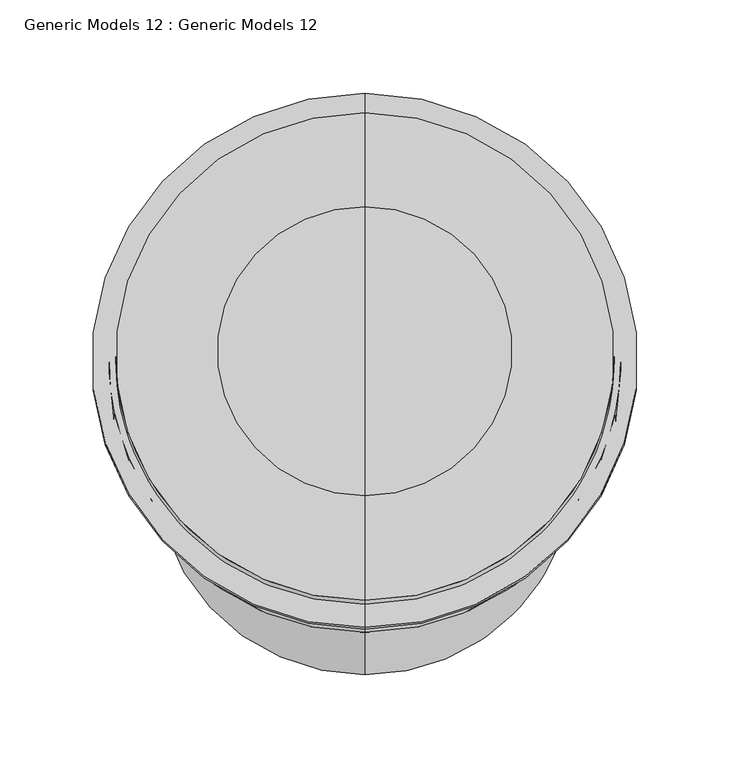
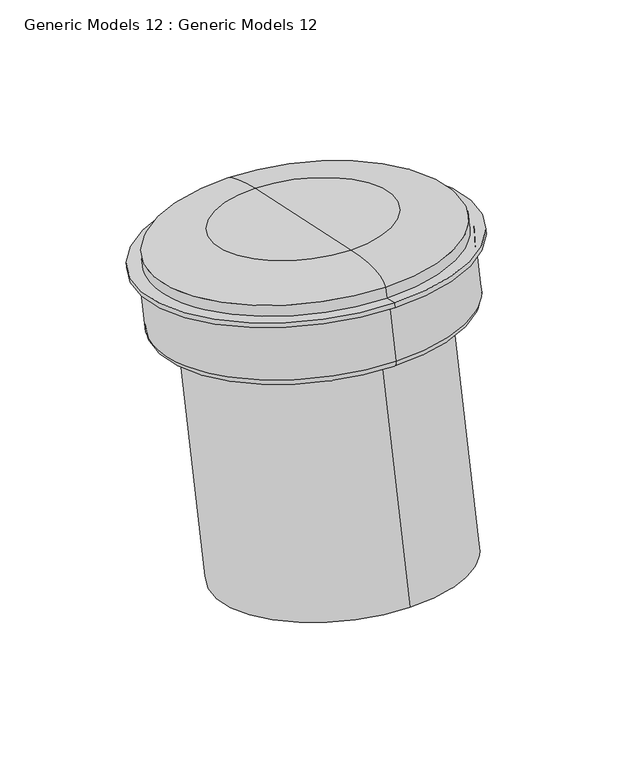
"""IFC4 building model written with IfcOpenShell, lengths in millimetres: proxy geometry, Generic Models 12 : Generic Models 12."""

from ifc_helpers import new_model, si_unit, point, frame, origin, place, context, project, spatial, circle_curve, ellipse_curve, trimmed, source, transform, mapped, element, save
from ifc_brep_helpers import plane_surface, cylinder_surface, revolved_surface, spline_curve, advanced_brep


def generic_models_12_generic_models_12_15f35d7a(model_context):
    return source(origin(), model_context, "Body", "AdvancedBrep", [
        advanced_brep(
        [(-22000.245968, 11898.6675247, -2204.5823415), (-22000.245968, 11637.7955596, -2149.1322936), (-22000.245968, 11693.8045098, -2146.5553716), (-22000.245968, 11848.5489312, -2179.4473137), (-22000.245968, 11896.6545933, -2214.052439), (-22000.245968, 11635.7826282, -2158.602391), (-22000.245968, 11909.0770679, -2216.6929174), (-22000.245968, 11623.3601537, -2155.9619125), (-22000.245968, 11908.1783832, -2220.9208966), (-22000.245968, 11622.461469, -2160.1898917), (-22000.245968, 11899.2295422, -2219.0187617), (-22000.245968, 11631.4103099, -2162.0920266), (-22000.245968, 11888.6676283, -2268.7086599), (-22000.245968, 11620.848396, -2211.7819247), (-22000.245968, 11881.1361518, -2273.5996579), (-22000.245968, 11625.7393941, -2219.3134012), (-22000.245968, 11867.4584298, -2270.6923683), (-22000.245968, 11639.4171161, -2222.2206908), (-22000.245968, 11861.4490119, -2274.5949299), (-22000.245968, 11643.3196777, -2228.2301087), (-22000.245968, 11816.2940667, -2487.0322444), (-22000.245968, 11598.1647326, -2440.6674232), (-22000.245968, 11707.2293997, -2463.8498338), (-22000.245968, 11771.1767205, -2163.0013426)],
        [
            (0, 1, circle_curve(frame((-22000.245968, 11768.2315421, -2176.8573176), z_axis=(0.0, 0.20791169081776123, 0.9781476007338054), x_axis=(0.0, -0.9781476007338054, 0.20791169081776123)), 133.35)),
            (1, 2, spline_curve(3, [(-22000.245968, 11637.7955596, -2149.1322936), (-22000.245968, 11642.368062177, -2141.212486819), (-22000.245968, 11661.037712225, -2140.353512841), (-22000.245968, 11693.8045098, -2146.5553716)], [4, 4], [0.0, 0.10456092390041316])),
            (2, 3, circle_curve(frame((-22000.245968, 11771.1767205, -2163.0013426), z_axis=(0.0, -0.20791169081776123, -0.9781476007338054), x_axis=(0.0, -0.9781476007338054, 0.20791169081776123)), 79.1007519)),
            (3, 0, spline_curve(3, [(-22000.245968, 11848.5489312, -2179.4473137), (-22000.245968, 11881.005413495, -2187.109091052), (-22000.245968, 11897.711611366, -2195.487433642), (-22000.245968, 11898.6675247, -2204.5823415)], [4, 4], [0.0, 0.10456092390041316])),
            (1, 0, circle_curve(frame((-22000.245968, 11768.2315421, -2176.8573176), z_axis=(0.0, 0.20791169081776123, 0.9781476007338054), x_axis=(0.0, -0.9781476007338054, 0.20791169081776123)), 133.35)),
            (3, 2, circle_curve(frame((-22000.245968, 11771.1767205, -2163.0013426), z_axis=(0.0, -0.20791169081776123, -0.9781476007338054), x_axis=(0.0, -0.9781476007338054, 0.20791169081776123)), 79.1007519)),
            (4, 5, circle_curve(frame((-22000.245968, 11766.2186108, -2186.327415), z_axis=(0.0, 0.20791169081776123, 0.9781476007338054), x_axis=(0.0, -0.9781476007338054, 0.20791169081776123)), 133.35)),
            (5, 1),
            (0, 4),
            (5, 4, circle_curve(frame((-22000.245968, 11766.2186108, -2186.327415), z_axis=(0.0, 0.20791169081776123, 0.9781476007338054), x_axis=(0.0, -0.9781476007338054, 0.20791169081776123)), 133.35)),
            (6, 7, circle_curve(frame((-22000.245968, 11766.2186108, -2186.327415), z_axis=(0.0, 0.20791169081776123, 0.9781476007338054), x_axis=(0.0, -0.9781476007338054, 0.20791169081776123)), 146.05)),
            (7, 5),
            (4, 6),
            (7, 6, circle_curve(frame((-22000.245968, 11766.2186108, -2186.327415), z_axis=(0.0, 0.20791169081776123, 0.9781476007338054), x_axis=(0.0, -0.9781476007338054, 0.20791169081776123)), 146.05)),
            (8, 9, circle_curve(frame((-22000.245968, 11765.3199261, -2190.5553942), z_axis=(0.0, 0.20791169081776123, 0.9781476007338054), x_axis=(0.0, -0.9781476007338054, 0.20791169081776123)), 146.05)),
            (9, 7),
            (6, 8),
            (9, 8, circle_curve(frame((-22000.245968, 11765.3199261, -2190.5553942), z_axis=(0.0, 0.20791169081776123, 0.9781476007338054), x_axis=(0.0, -0.9781476007338054, 0.20791169081776123)), 146.05)),
            (10, 11, circle_curve(frame((-22000.245968, 11765.3199261, -2190.5553942), z_axis=(0.0, 0.20791169081776123, 0.9781476007338054), x_axis=(0.0, -0.9781476007338054, 0.20791169081776123)), 136.9012366)),
            (11, 9),
            (8, 10),
            (11, 10, circle_curve(frame((-22000.245968, 11765.3199261, -2190.5553942), z_axis=(0.0, 0.20791169081776123, 0.9781476007338054), x_axis=(0.0, -0.9781476007338054, 0.20791169081776123)), 136.9012366)),
            (12, 13, circle_curve(frame((-22000.245968, 11754.7580122, -2240.2452923), z_axis=(0.0, 0.20791169081776123, 0.9781476007338054), x_axis=(0.0, -0.9781476007338054, 0.20791169081776123)), 136.9012366)),
            (13, 11),
            (10, 12),
            (13, 12, circle_curve(frame((-22000.245968, 11754.7580122, -2240.2452923), z_axis=(0.0, 0.20791169081776123, 0.9781476007338054), x_axis=(0.0, -0.9781476007338054, 0.20791169081776123)), 136.9012366)),
            (14, 15, circle_curve(frame((-22000.245968, 11753.4377729, -2246.4565295), z_axis=(0.0, 0.20791169081776123, 0.9781476007338054), x_axis=(0.0, -0.9781476007338054, 0.20791169081776123)), 130.5512366)),
            (15, 13, circle_curve(frame((-22000.245968, 11627.0596333, -2213.1021639), z_axis=(-1.0000000000000002, 0.0, 0.0), x_axis=(0.0, -1.0000000000000002, 0.0)), 6.35)),
            (12, 14, circle_curve(frame((-22000.245968, 11882.456391, -2267.3884206), z_axis=(-1.0000000000000002, 0.0, 0.0), x_axis=(0.0, 0.9135454576425996, -0.4067366430758038)), 6.35)),
            (15, 14, circle_curve(frame((-22000.245968, 11753.4377729, -2246.4565295), z_axis=(0.0, 0.20791169081776123, 0.9781476007338054), x_axis=(0.0, -0.9781476007338054, 0.20791169081776123)), 130.5512366)),
            (16, 17, circle_curve(frame((-22000.245968, 11753.4377729, -2246.4565295), z_axis=(0.0, 0.20791169081776123, 0.9781476007338054), x_axis=(0.0, -0.9781476007338054, 0.20791169081776123)), 116.5679461)),
            (17, 15),
            (14, 16),
            (17, 16, circle_curve(frame((-22000.245968, 11753.4377729, -2246.4565295), z_axis=(0.0, 0.20791169081776123, 0.9781476007338054), x_axis=(0.0, -0.9781476007338054, 0.20791169081776123)), 116.5679461)),
            (18, 19, circle_curve(frame((-22000.245968, 11752.3843448, -2251.4125193), z_axis=(0.0, 0.20791169081776123, 0.9781476007338054), x_axis=(0.0, -0.9781476007338054, 0.20791169081776123)), 111.5012366)),
            (19, 17, circle_curve(frame((-22000.245968, 11638.363688, -2227.1766805), z_axis=(1.0000000000000002, 0.0, 0.0), x_axis=(0.0, -1.0000000000000002, 0.0)), 5.0667095)),
            (16, 18, circle_curve(frame((-22000.245968, 11866.4050016, -2275.6483581), z_axis=(1.0000000000000002, 0.0, 0.0), x_axis=(0.0, 0.9135454576425996, -0.4067366430758038)), 5.0667095)),
            (19, 18, circle_curve(frame((-22000.245968, 11752.3843448, -2251.4125193), z_axis=(0.0, 0.20791169081776123, 0.9781476007338054), x_axis=(0.0, -0.9781476007338054, 0.20791169081776123)), 111.5012366)),
            (20, 21, circle_curve(frame((-22000.245968, 11707.2293997, -2463.8498338), z_axis=(0.0, 0.20791169081776123, 0.9781476007338054), x_axis=(0.0, -0.9781476007338054, 0.20791169081776123)), 111.5012366)),
            (21, 19),
            (18, 20),
            (21, 20, circle_curve(frame((-22000.245968, 11707.2293997, -2463.8498338), z_axis=(0.0, 0.20791169081776123, 0.9781476007338054), x_axis=(0.0, -0.9781476007338054, 0.20791169081776123)), 111.5012366)),
            (22, 21),
            (20, 22),
            (2, 23),
            (23, 3),
        ],
        [
            revolved_surface(spline_curve(3, [(-22000.245968, 11693.8045098, -2146.5553716), (-22000.245968, 11661.037712225, -2140.353512841), (-22000.245968, 11642.368062177, -2141.212486819), (-22000.245968, 11637.7955596, -2149.1322936)], [4, 4], [0.0, 0.10456092390041316]), (-22000.245968, 11779.4210032, -2124.2150423), (0.0, -0.20791169081776123, -0.9781476007338054)),
            cylinder_surface(frame((-22000.245968, 11779.4210032, -2124.2150423), z_axis=(0.0, -0.20791169081776123, -0.9781476007338054), x_axis=(0.0, -0.9781476007338054, 0.20791169081776123)), 133.35),
            plane_surface(frame((-22000.245968, 11766.2186108, -2186.327415), z_axis=(0.0, 0.20791169081776123, 0.9781476007338054), x_axis=(0.0, -0.9781476007338054, 0.20791169081776123))),
            cylinder_surface(frame((-22000.245968, 11779.4210032, -2124.2150423), z_axis=(0.0, -0.20791169081776123, -0.9781476007338054), x_axis=(0.0, -0.9781476007338054, 0.20791169081776123)), 146.05),
            plane_surface(frame((-22000.245968, 11765.3199261, -2190.5553942), z_axis=(0.0, -0.20791169081776123, -0.9781476007338054), x_axis=(0.0, -0.9781476007338054, 0.20791169081776123))),
            cylinder_surface(frame((-22000.245968, 11779.4210032, -2124.2150423), z_axis=(0.0, -0.20791169081776123, -0.9781476007338054), x_axis=(0.0, -0.9781476007338054, 0.20791169081776123)), 136.9012366),
            revolved_surface(trimmed(ellipse_curve(frame((-22000.245968, 11627.0596333, -2213.1021639), z_axis=(1.0000000000000002, 0.0, 0.0), x_axis=(0.0, -1.0000000000000002, 0.0)), 6.35, 6.35), [point((-22000.245968, 11620.848396, -2211.7819247))], [point((-22000.245968, 11625.7393941, -2219.3134012))], True, "CARTESIAN"), (-22000.245968, 11779.4210032, -2124.2150423), (0.0, -0.20791169081776123, -0.9781476007338054)),
            plane_surface(frame((-22000.245968, 11753.4377729, -2246.4565295), z_axis=(0.0, -0.20791169081776123, -0.9781476007338054), x_axis=(0.0, -0.9781476007338054, 0.20791169081776123))),
            revolved_surface(trimmed(ellipse_curve(frame((-22000.245968, 11638.363688, -2227.1766805), z_axis=(-1.0000000000000002, 0.0, 0.0), x_axis=(0.0, -1.0000000000000002, 0.0)), 5.0667095, 5.0667095), [point((-22000.245968, 11639.4171161, -2222.2206908))], [point((-22000.245968, 11643.3196777, -2228.2301087))], True, "CARTESIAN"), (-22000.245968, 11779.4210032, -2124.2150423), (0.0, -0.20791169081776123, -0.9781476007338054)),
            cylinder_surface(frame((-22000.245968, 11779.4210032, -2124.2150423), z_axis=(0.0, -0.20791169081776123, -0.9781476007338054), x_axis=(0.0, -0.9781476007338054, 0.20791169081776123)), 111.5012366),
            plane_surface(frame((-22000.245968, 11707.2293997, -2463.8498338), z_axis=(0.0, -0.20791169081776123, -0.9781476007338054), x_axis=(0.0, -0.9781476007338054, 0.20791169081776123))),
            plane_surface(frame((-22000.245968, 11771.1767205, -2163.0013426), z_axis=(0.0, 0.20791169081776123, 0.9781476007338054), x_axis=(0.0, -0.9781476007338054, 0.20791169081776123))),
        ],
        [
            (0, [[1, 2, 3, 4]]),
            (0, [[5, -4, 6, -2]]),
            (1, [[7, 8, -1, 9]]),
            (1, [[10, -9, -5, -8]]),
            (2, [[11, 12, -7, 13]]),
            (2, [[14, -13, -10, -12]]),
            (3, [[15, 16, -11, 17]]),
            (3, [[18, -17, -14, -16]]),
            (4, [[19, 20, -15, 21]]),
            (4, [[22, -21, -18, -20]]),
            (5, [[23, 24, -19, 25]]),
            (5, [[26, -25, -22, -24]]),
            (6, [[27, 28, -23, 29]]),
            (6, [[30, -29, -26, -28]]),
            (7, [[31, 32, -27, 33]]),
            (7, [[34, -33, -30, -32]]),
            (8, [[35, 36, -31, 37]]),
            (8, [[38, -37, -34, -36]]),
            (9, [[39, 40, -35, 41]]),
            (9, [[42, -41, -38, -40]]),
            (10, [[43, -39, 44]]),
            (10, [[-44, -42, -43]]),
            (11, [[-3, 45, 46]]),
            (11, [[-6, -46, -45]]),
        ],
    ),
    ])


if __name__ == "__main__":
    model = new_model("IFC4")
    model_context = context("Model", 3, world=origin())
    ifc_project = project(units=[si_unit("LENGTHUNIT", "METRE", prefix="MILLI")], contexts=[model_context])
    site = spatial("IfcSite", under=ifc_project)
    building = spatial("IfcBuilding", under=site)
    placement = place(None, origin())
    generic_models_12_generic_models_12_shape = generic_models_12_generic_models_12_15f35d7a(model_context)
    element("IfcBuildingElementProxy", 1, Name="Generic Models 12 : Generic Models 12", ObjectType="Generic Models 12 : Generic Models 12", at=placement, inside=building, context=model_context, shape_type="MappedRepresentation", body=[
        mapped(generic_models_12_generic_models_12_shape, transform((0.0, 0.0, 0.0), x_axis=(1.0, 0.0, 0.0), y_axis=(0.0, 1.0, 0.0), z_axis=(0.0, 0.0, 1.0))),
    ])
    save(model, "model.ifc")
